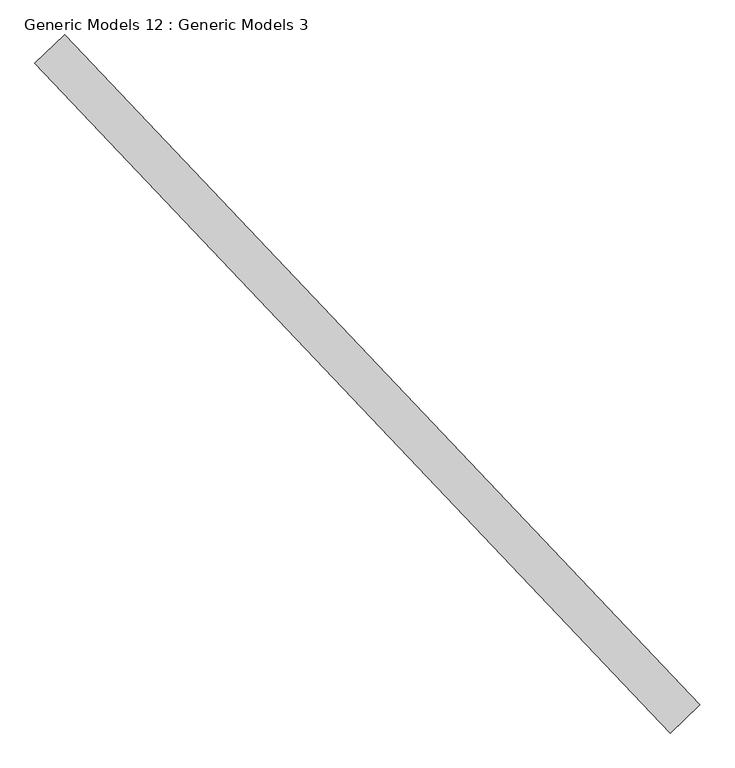
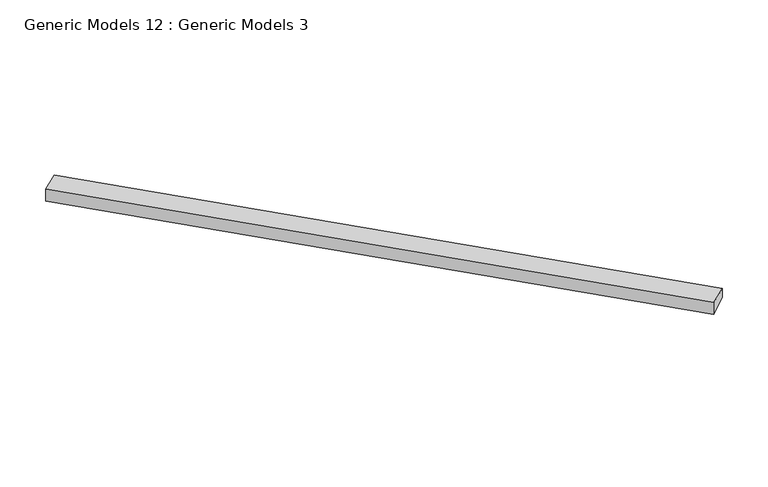
"""IFC4 building model written with IfcOpenShell, lengths in millimetres: proxy geometry, Generic Models 12 : Generic Models 3."""

from ifc_helpers import new_model, si_unit, frame, origin, place, context, project, spatial, polyline, outline, extrude, source, transform, mapped, element, save


def generic_models_12_generic_models_3_8190e980(model_context):
    return source(origin(), model_context, "Body", "SweptSolid", [
        extrude(outline(polyline([(19.1720019, 0.0), (-0.1535369, -182.0135528), (-388.4956991, -140.7807906), (-373.5481054, 1e-07), (19.1720019, 0.0)])), frame((113610.0486451, 53867.2538681, 17372.979294), z_axis=(-0.6883545756937502, 0.7253743710122913, 0.0), x_axis=(-0.7213198941206996, -0.6845070207870656, 0.10558290031495833)), (0.0, 0.0, 1.0), 8832.85),
    ])


if __name__ == "__main__":
    model = new_model("IFC4")
    model_context = context("Model", 3, world=origin())
    ifc_project = project(units=[si_unit("LENGTHUNIT", "METRE", prefix="MILLI")], contexts=[model_context])
    site = spatial("IfcSite", under=ifc_project)
    building = spatial("IfcBuilding", under=site)
    placement = place(None, origin())
    generic_models_12_generic_models_3_shape = generic_models_12_generic_models_3_8190e980(model_context)
    element("IfcBuildingElementProxy", 1, Name="Generic Models 12 : Generic Models 3", ObjectType="Generic Models 12 : Generic Models 3", at=placement, inside=building, context=model_context, shape_type="MappedRepresentation", body=[
        mapped(generic_models_12_generic_models_3_shape, transform((0.0, 0.0, 0.0), x_axis=(1.0, 0.0, 0.0), y_axis=(0.0, 1.0, 0.0), z_axis=(0.0, 0.0, 1.0))),
    ])
    save(model, "model.ifc")
